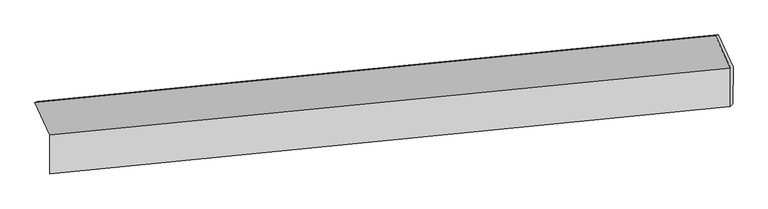
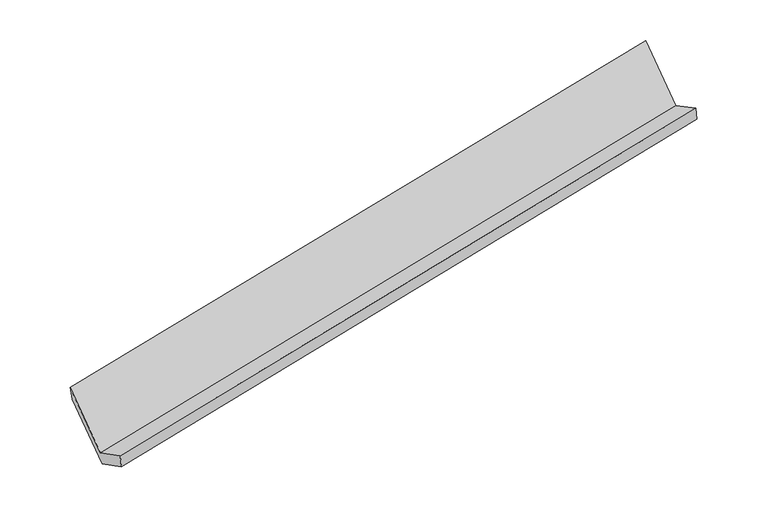
"""IFC4 building model written with IfcOpenShell, lengths in millimetres: proxy geometry."""

from ifc_helpers import new_model, si_unit, origin, place, context, project, spatial, faceted_brep, source, transform, mapped, element, save


def generic_models_874a8215(model_context):
    return source(origin(), model_context, "Body", "Brep", [
        faceted_brep([(-6123.0866485, -1502.997535, 1715.9996954), (-5984.2946818, -1805.6435463, 1135.8032549), (329.7182746, -1183.0507108, 2350.275772), (191.9637043, -882.6668181, 2926.1355515), (-5985.1929747, -2164.1957181, 1322.6187906), (328.8199817, -1541.6028827, 2537.0913076), (-5960.2669181, -2140.301206, 1178.6870192), (353.7460383, -1517.7083705, 2393.1595362), (-5959.3976263, -1793.3247558, 997.9027527), (354.6153301, -1170.7319204, 2212.3752697), (-6096.9529973, -1493.3752318, 1572.9298129), (218.0973555, -873.0445149, 2783.065669)], [[[0, 1, 2, 3]], [[1, 4, 5, 2]], [[4, 6, 7, 5]], [[6, 8, 9, 7]], [[8, 10, 11, 9]], [[10, 0, 3, 11]], [[9, 11, 3, 2, 5, 7]], [[0, 10, 8, 6, 4, 1]]]),
    ])


if __name__ == "__main__":
    model = new_model("IFC4")
    model_context = context("Model", 3, world=origin())
    ifc_project = project(units=[si_unit("LENGTHUNIT", "METRE", prefix="MILLI")], contexts=[model_context])
    site = spatial("IfcSite", under=ifc_project)
    building = spatial("IfcBuilding", under=site)
    placement = place(None, origin())
    generic_models_shape = generic_models_874a8215(model_context)
    element("IfcBuildingElementProxy", 1, Name="Generic Models", at=placement, inside=building, context=model_context, shape_type="MappedRepresentation", body=[
        mapped(generic_models_shape, transform((0.0, 0.0, 0.0), x_axis=(1.0, 0.0, 0.0), y_axis=(0.0, 1.0, 0.0), z_axis=(0.0, 0.0, 1.0))),
    ])
    save(model, "model.ifc")
